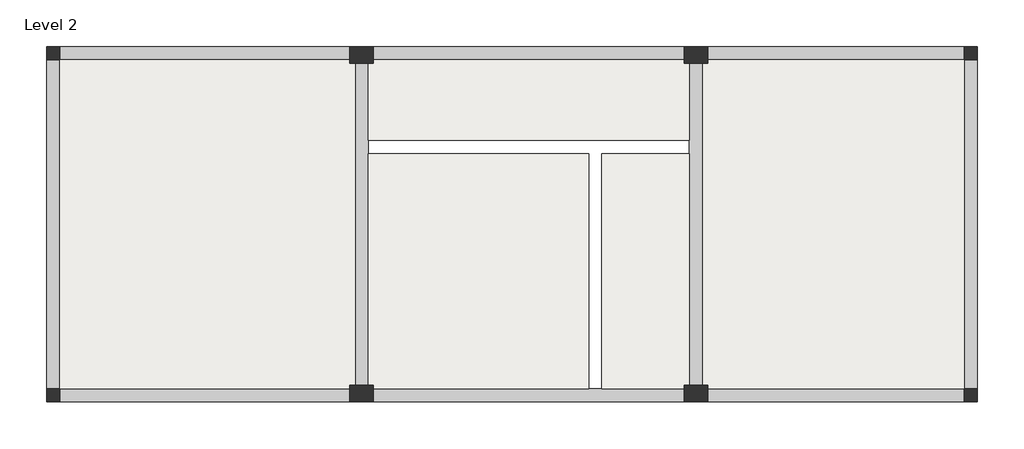
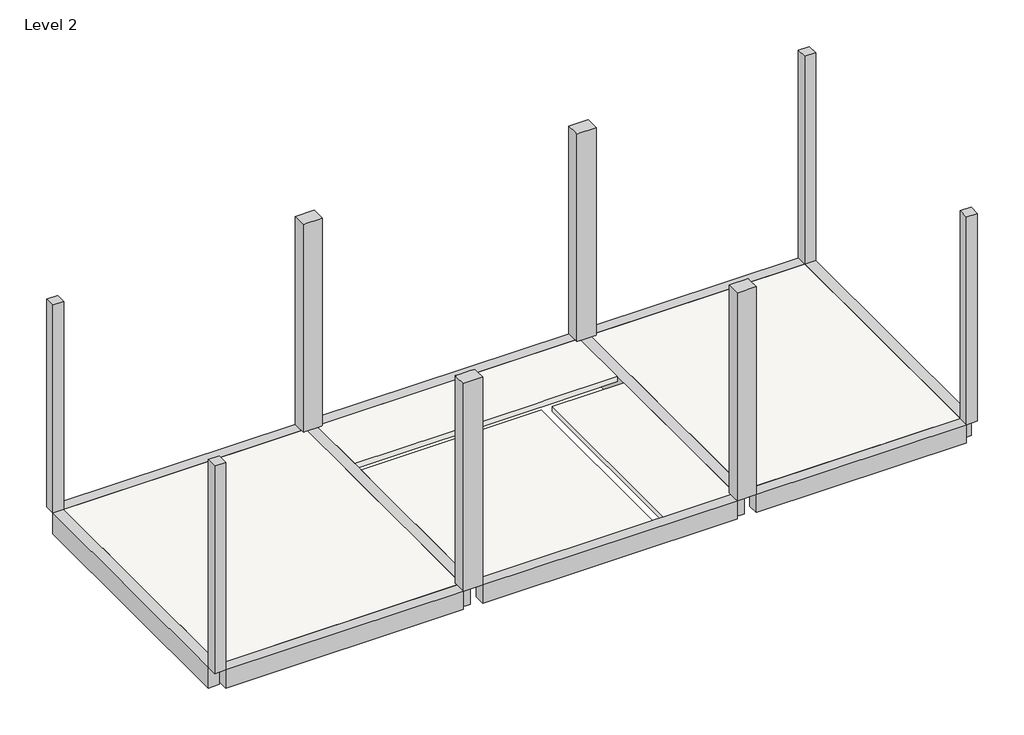
# One storey: 8 columns, 6 beams, 1 slab.
"""IFC4 building model written with IfcOpenShell, lengths in millimetres."""

import ifcopenshell
import ifcopenshell.guid

model = None  # the IFC model being written
_history = None  # IfcOwnerHistory: only IFC2X3 demands one
_inside = {}  # id of a spatial element -> (the spatial element, [elements in it])
_under = {}  # id of a project, library or spatial element -> (it, [spatial elements below it])
_declared = {}  # id of a project -> (the project, [libraries it declares])
_typed = {}  # id of a type object -> (the type object, [elements of that type])
_made_of = {}  # id of a material, layer set ... -> (it, [elements and type objects made of it])


def new_model(schema):
    """Start an empty IFC model of exactly this schema.

    Asked for "IFC4X3", IfcOpenShell would pick the latest addendum, in which some entities
    have other attributes; the version numbers below select the first issue.
    IFC2X3 requires an IfcOwnerHistory on every rooted entity: one is made here for all.
    """
    global model, _history
    if schema == "IFC4X3":
        model = ifcopenshell.file(schema_version=(4, 3, 0, 0))
    else:
        model = ifcopenshell.file(schema=schema)
    _inside.clear()
    _under.clear()
    _declared.clear()
    _typed.clear()
    _made_of.clear()
    _history = None
    if model.schema == "IFC2X3":
        org = make("IfcOrganization", Name="unknown")
        user = make(
            "IfcPersonAndOrganization",
            ThePerson=make("IfcPerson", FamilyName="unknown"),
            TheOrganization=org,
        )
        app = make(
            "IfcApplication",
            ApplicationDeveloper=org,
            Version="unknown",
            ApplicationFullName="unknown",
            ApplicationIdentifier="unknown",
        )
        _history = make(
            "IfcOwnerHistory",
            OwningUser=user,
            OwningApplication=app,
            ChangeAction="ADDED",
            CreationDate=0,
        )
    return model


def make(cls, **values):
    """One entity of the class cls with the attributes given. An attribute that is None is left unset."""
    return model.create_entity(
        cls, **{name: value for name, value in values.items() if value is not None}
    )


def rooted(cls, **values):
    """An entity with a GlobalId (a new one), such as an element, a storey or a relation."""
    return make(cls, GlobalId=ifcopenshell.guid.new(), OwnerHistory=_history, **values)


def si_unit(unit_type, name, prefix=None):
    """IfcSIUnit, for example si_unit("LENGTHUNIT", "METRE", prefix="MILLI")."""
    return make("IfcSIUnit", UnitType=unit_type, Prefix=prefix, Name=name)


def assignment(units):
    """IfcUnitAssignment: the units of a project."""
    return None if units is None else make("IfcUnitAssignment", Units=units)


def point(xyz):
    """IfcCartesianPoint."""
    return None if xyz is None else make("IfcCartesianPoint", Coordinates=xyz)


def direction(xyz):
    """IfcDirection."""
    return None if xyz is None else make("IfcDirection", DirectionRatios=xyz)


def frame(location, z_axis=None, x_axis=None):
    """IfcAxis2Placement3D, a coordinate frame: its origin and axes. An axis left out is left unset."""
    return make(
        "IfcAxis2Placement3D",
        Location=point(location),
        Axis=direction(z_axis),
        RefDirection=direction(x_axis),
    )


def origin():
    """The frame at (0, 0, 0) with its axes left unset."""
    return frame((0.0, 0.0, 0.0))


def place(relative_to, where):
    """IfcLocalPlacement: puts the frame where relative to a parent placement (None: the world)."""
    return make(
        "IfcLocalPlacement", PlacementRelTo=relative_to, RelativePlacement=where
    )


def context(
    kind, dimensions, precision=None, world=None, true_north=None, identifier=None
):
    """IfcGeometricRepresentationContext, for example the 3D "Model" context."""
    return make(
        "IfcGeometricRepresentationContext",
        ContextIdentifier=identifier,
        ContextType=kind,
        CoordinateSpaceDimension=dimensions,
        Precision=precision,
        WorldCoordinateSystem=world,
        TrueNorth=true_north,
    )


def project(units=None, contexts=None):
    """IfcProject with its units and contexts."""
    return rooted(
        "IfcProject",
        Name="project",
        RepresentationContexts=contexts,
        UnitsInContext=assignment(units),
    )


def spatial(cls, under=None, at=None, **own):
    """A site, building, storey or space (cls), placed at a placement, below another one or the project."""
    s = rooted(cls, ObjectPlacement=at, **own)
    if under is not None:
        _under.setdefault(under.id(), (under, []))[1].append(s)
    return s


def polyline(points):
    """IfcPolyline through the points."""
    return make("IfcPolyline", Points=[point(p) for p in points])


def outline(outer, holes=None, kind="AREA"):
    """IfcArbitraryClosedProfileDef: a profile drawn as a closed curve; with holes, ...WithVoids."""
    if holes is None:
        return make("IfcArbitraryClosedProfileDef", ProfileType=kind, OuterCurve=outer)
    return make(
        "IfcArbitraryProfileDefWithVoids",
        ProfileType=kind,
        OuterCurve=outer,
        InnerCurves=holes,
    )


def extrude(swept, where, along, depth):
    """IfcExtrudedAreaSolid: the profile swept, set in the frame where, extruded along a direction by depth."""
    return make(
        "IfcExtrudedAreaSolid",
        SweptArea=swept,
        Position=where,
        ExtrudedDirection=direction(along),
        Depth=depth,
    )


def faces_of(points, faces, orient=None, outer=None):
    """IfcFace entities. A face is a list of loops; a loop is a list of indices into points, from 0.

    orient and outer hold one flag for each loop. By default every Orientation is true, the
    first loop of a face is its IfcFaceOuterBound and the others are IfcFaceBound.
    """
    made = []
    for i, loops in enumerate(faces):
        bounds = []
        for j, loop in enumerate(loops):
            is_outer = j == 0 if outer is None else outer[i][j]
            bounds.append(
                make(
                    "IfcFaceOuterBound" if is_outer else "IfcFaceBound",
                    Bound=make("IfcPolyLoop", Polygon=[points[k] for k in loop]),
                    Orientation=True if orient is None else orient[i][j],
                )
            )
        made.append(make("IfcFace", Bounds=bounds))
    return made


def faceted_brep(points, faces, orient=None, outer=None, voids=None):
    """IfcFacetedBrep: a solid bounded by flat faces; with voids (closed shells), ...WithVoids."""
    shared = [point(p) for p in points]
    hull = make("IfcClosedShell", CfsFaces=faces_of(shared, faces, orient, outer))
    if voids is None:
        return make("IfcFacetedBrep", Outer=hull)
    return make(
        "IfcFacetedBrepWithVoids",
        Outer=hull,
        Voids=[
            make(cls, CfsFaces=faces_of(shared, fs, o, b)) for cls, fs, o, b in voids
        ],
    )


def shape(context_of_items, identifier, shape_type, items):
    """IfcShapeRepresentation: the items that make up one representation, for example the "Body"."""
    return make(
        "IfcShapeRepresentation",
        ContextOfItems=context_of_items,
        RepresentationIdentifier=identifier,
        RepresentationType=shape_type,
        Items=items,
    )


def made_of(thing, what):
    """Note that an element or type object is made of a material, layer set ...; save() writes the relation."""
    if what is not None:
        _made_of.setdefault(what.id(), (what, []))[1].append(thing)
    return thing


def element(
    cls,
    number,
    at=None,
    inside=None,
    cuts=None,
    type_object=None,
    material=None,
    context=None,
    identifier="Body",
    shape_type=None,
    held_by="IfcProductDefinitionShape",
    body=None,
    shapes=None,
    **own,
):
    """One element of the class cls, such as IfcWall. Its Tag is "e" and its number.

    at: its placement. inside: the storey or other place that contains it. cuts: it is an
    opening in that element (IfcRelVoidsElement). A single representation is given by context,
    identifier, shape_type and body (its items); several are given by shapes. held_by: the class
    of the entity that holds the representations. save() writes the other relations.
    """
    e = rooted(cls, Tag="e%d" % number, ObjectPlacement=at, **own)
    if body is not None:
        shapes = [shape(context, identifier, shape_type, body)]
    if shapes is not None:
        e.Representation = make(held_by, Representations=shapes)
    if inside is not None:
        _inside.setdefault(inside.id(), (inside, []))[1].append(e)
    if cuts is not None:
        rooted(
            "IfcRelVoidsElement", RelatingBuildingElement=cuts, RelatedOpeningElement=e
        )
    if type_object is not None:
        _typed.setdefault(type_object.id(), (type_object, []))[1].append(e)
    return made_of(e, material)


def aggregate(whole, parts):
    """IfcRelAggregates: a whole, such as a stair, and the parts it consists of."""
    return rooted("IfcRelAggregates", RelatingObject=whole, RelatedObjects=parts)


def save(model, path):
    """Write the relations noted so far, then the file.

    IfcRelAggregates (storeys below a building ...), IfcRelContainedInSpatialStructure (elements
    in a storey), IfcRelDefinesByType, IfcRelAssociatesMaterial and IfcRelDeclares: one each for
    every whole, place, type object, material and project.
    """
    for whole, parts in _under.values():
        aggregate(whole, parts)
    for where, things in _inside.values():
        rooted(
            "IfcRelContainedInSpatialStructure",
            RelatedElements=things,
            RelatingStructure=where,
        )
    for kind, things in _typed.values():
        rooted("IfcRelDefinesByType", RelatedObjects=things, RelatingType=kind)
    for what, things in _made_of.values():
        rooted("IfcRelAssociatesMaterial", RelatedObjects=things, RelatingMaterial=what)
    for by, libraries in _declared.values():
        rooted("IfcRelDeclares", RelatingContext=by, RelatedDefinitions=libraries)
    model.write(path)


model = new_model("IFC4")

# Units and contexts
model_context = context("Model", 3, world=origin())
ifc_project = project(units=[si_unit("LENGTHUNIT", "METRE", prefix="MILLI")], contexts=[model_context])

# Site, building, storey
site = spatial("IfcSite", under=ifc_project)
building = spatial("IfcBuilding", under=site)
storey = spatial("IfcBuildingStorey", under=building, Name="Level 2", Elevation=3800.0)

# Beams
placement = place(None, origin())
element("IfcBeam", 1, ObjectType="200x350", at=placement, inside=storey, context=model_context, shape_type="Brep", body=[
    faceted_brep([(2730.4101168, 3322.2386726, 3450.0), (2730.4101168, 3122.2386726, 3450.0), (-1094.5898832, 3122.2386726, 3450.0), (-1094.5898832, 3322.2386726, 3450.0), (2730.4101168, 3322.2386726, 3800.0), (2730.4101168, 3122.2386726, 3800.0), (2730.4101168, 3122.2386726, 3700.0), (-1094.5898832, 3122.2386726, 3700.0), (-1094.5898832, 3122.2386726, 3800.0), (-1094.5898832, 3322.2386726, 3800.0)], [[[0, 1, 2, 3]], [[1, 0, 4, 5, 6]], [[3, 2, 7, 8, 9]], [[1, 6, 5, 8, 7, 2]], [[4, 0, 3, 9]], [[5, 4, 9, 8]]]),
    faceted_brep([(-10751.8328064, 3322.2386726, 3450.0), (-10751.8328064, 3122.2386726, 3450.0), (-10751.8328064, 3122.2386726, 3700.0), (-10751.8328064, 3122.2386726, 3800.0), (-10751.8328064, 3322.2386726, 3800.0), (-6426.8328064, 3122.2386726, 3450.0), (-6426.8328064, 3322.2386726, 3450.0), (-6426.8328064, 3322.2386726, 3800.0), (-6426.8328064, 3122.2386726, 3800.0), (-6426.8328064, 3122.2386726, 3700.0)], [[[0, 1, 2, 3, 4]], [[5, 6, 7, 8, 9]], [[1, 0, 6, 5]], [[3, 2, 1, 5, 9, 8]], [[0, 4, 7, 6]], [[4, 3, 8, 7]]]),
    faceted_brep([(-6076.8328064, 3322.2386726, 3450.0), (-6076.8328064, 3122.2386726, 3450.0), (-6076.8328064, 3122.2386726, 3700.0), (-6076.8328064, 3122.2386726, 3800.0), (-6076.8328064, 3322.2386726, 3800.0), (-1444.5898832, 3122.2386726, 3450.0), (-1444.5898832, 3322.2386726, 3450.0), (-1444.5898832, 3322.2386726, 3800.0), (-1444.5898832, 3122.2386726, 3800.0), (-1444.5898832, 3122.2386726, 3700.0)], [[[0, 1, 2, 3, 4]], [[5, 6, 7, 8, 9]], [[1, 0, 6, 5]], [[3, 2, 1, 5, 9, 8]], [[0, 4, 7, 6]], [[4, 3, 8, 7]]]),
])
element("IfcBeam", 2, ObjectType="200x350", at=placement, inside=storey, context=model_context, shape_type="Brep", body=[
    faceted_brep([(-10751.8328064, -1977.7613274, 3450.0), (-10751.8328064, -1777.7613274, 3450.0), (-6426.8328064, -1777.7613274, 3450.0), (-6426.8328064, -1977.7613274, 3450.0), (-10751.8328064, -1977.7613274, 3800.0), (-10751.8328064, -1777.7613274, 3800.0), (-10751.8328064, -1777.7613274, 3700.0), (-6426.8328064, -1777.7613274, 3700.0), (-6426.8328064, -1777.7613274, 3800.0), (-6426.8328064, -1977.7613274, 3800.0)], [[[0, 1, 2, 3]], [[1, 0, 4, 5, 6]], [[3, 2, 7, 8, 9]], [[1, 6, 5, 8, 7, 2]], [[4, 0, 3, 9]], [[5, 4, 9, 8]]]),
    faceted_brep([(2730.4101168, -1977.7613274, 3450.0), (2730.4101168, -1777.7613274, 3450.0), (2730.4101168, -1777.7613274, 3700.0), (2730.4101168, -1777.7613274, 3800.0), (2730.4101168, -1977.7613274, 3800.0), (-1094.5898832, -1777.7613274, 3450.0), (-1094.5898832, -1977.7613274, 3450.0), (-1094.5898832, -1977.7613274, 3800.0), (-1094.5898832, -1777.7613274, 3800.0), (-1094.5898832, -1777.7613274, 3700.0)], [[[0, 1, 2, 3, 4]], [[5, 6, 7, 8, 9]], [[6, 5, 1, 0]], [[3, 2, 1, 5, 9, 8]], [[0, 4, 7, 6]], [[4, 3, 8, 7]]]),
    faceted_brep([(-1444.5898832, -1977.7613274, 3450.0), (-1444.5898832, -1777.7613274, 3450.0), (-1444.5898832, -1777.7613274, 3700.0), (-1444.5898832, -1777.7613274, 3800.0), (-1444.5898832, -1977.7613274, 3800.0), (-6076.8328064, -1777.7613274, 3450.0), (-6076.8328064, -1977.7613274, 3450.0), (-6076.8328064, -1977.7613274, 3800.0), (-6076.8328064, -1777.7613274, 3800.0), (-6076.8328064, -1777.7613274, 3700.0), (-2869.5898832, -1777.7613274, 3800.0), (-2669.5898832, -1777.7613274, 3800.0)], [[[0, 1, 2, 3, 4]], [[5, 6, 7, 8, 9]], [[1, 0, 6, 5]], [[3, 2, 1, 5, 9, 8, 10, 11]], [[0, 4, 7, 6]], [[4, 3, 11, 10, 8, 7]]]),
])
element("IfcBeam", 3, ObjectType="200x400", at=placement, inside=storey, context=model_context, shape_type="Brep", body=[
    faceted_brep([(2730.4101168, -1777.7613274, 3400.0), (2730.4101168, -1777.7613274, 3700.0), (2730.4101168, -1777.7613274, 3800.0), (2730.4101168, 3122.2386726, 3800.0), (2730.4101168, 3122.2386726, 3700.0), (2730.4101168, 3122.2386726, 3400.0), (2930.4101168, -1777.7613274, 3400.0), (2930.4101168, 3122.2386726, 3400.0), (2930.4101168, -1777.7613274, 3800.0), (2930.4101168, 3122.2386726, 3800.0)], [[[0, 1, 2, 3, 4, 5]], [[6, 0, 5, 7]], [[8, 6, 7, 9]], [[2, 8, 9, 3]], [[2, 1, 0, 6, 8]], [[5, 4, 3, 9, 7]]]),
])
element("IfcBeam", 4, ObjectType="200x400", at=placement, inside=storey, context=model_context, shape_type="Brep", body=[
    faceted_brep([(-10751.8328064, 3122.2386726, 3400.0), (-10751.8328064, 3122.2386726, 3700.0), (-10751.8328064, 3122.2386726, 3800.0), (-10751.8328064, -1777.7613274, 3800.0), (-10751.8328064, -1777.7613274, 3700.0), (-10751.8328064, -1777.7613274, 3400.0), (-10951.8328064, 3122.2386726, 3400.0), (-10951.8328064, -1777.7613274, 3400.0), (-10951.8328064, 3122.2386726, 3800.0), (-10951.8328064, -1777.7613274, 3800.0)], [[[0, 1, 2, 3, 4, 5]], [[6, 0, 5, 7]], [[8, 6, 7, 9]], [[2, 8, 9, 3]], [[2, 1, 0, 6, 8]], [[5, 4, 3, 9, 7]]]),
])
element("IfcBeam", 5, ObjectType="200x500", at=placement, inside=storey, context=model_context, shape_type="Brep", body=[
    faceted_brep([(-6151.8328064, -1727.7613274, 3800.0), (-6151.8328064, -1727.7613274, 3700.0), (-6151.8328064, -1727.7613274, 3300.0), (-6151.8328064, 3072.2386726, 3300.0), (-6151.8328064, 3072.2386726, 3700.0), (-6151.8328064, 3072.2386726, 3800.0), (-6151.8328064, 1922.2386726, 3800.0), (-6151.8328064, 1722.2386726, 3800.0), (-6351.8328064, -1727.7613274, 3800.0), (-6351.8328064, 3072.2386726, 3800.0), (-6351.8328064, -1727.7613274, 3300.0), (-6351.8328064, 3072.2386726, 3300.0), (-6351.8328064, -1727.7613274, 3700.0), (-6351.8328064, 3072.2386726, 3700.0)], [[[0, 1, 2, 3, 4, 5, 6, 7]], [[8, 0, 7, 6, 5, 9]], [[2, 10, 11, 3]], [[10, 12, 8, 9, 13, 11]], [[2, 1, 0, 8, 12, 10]], [[5, 4, 3, 11, 13, 9]]]),
])
element("IfcBeam", 6, ObjectType="200x500", at=placement, inside=storey, context=model_context, shape_type="Brep", body=[
    faceted_brep([(-1169.5898832, -1727.7613274, 3800.0), (-1169.5898832, -1727.7613274, 3700.0), (-1169.5898832, -1727.7613274, 3300.0), (-1169.5898832, 3072.2386726, 3300.0), (-1169.5898832, 3072.2386726, 3700.0), (-1169.5898832, 3072.2386726, 3800.0), (-1369.5898832, -1727.7613274, 3800.0), (-1369.5898832, 3072.2386726, 3800.0), (-1369.5898832, 1922.2386726, 3800.0), (-1369.5898832, 1722.2386726, 3800.0), (-1369.5898832, -1727.7613274, 3300.0), (-1369.5898832, 3072.2386726, 3300.0), (-1369.5898832, -1727.7613274, 3700.0), (-1369.5898832, 3072.2386726, 3700.0)], [[[0, 1, 2, 3, 4, 5]], [[6, 0, 5, 7, 8, 9]], [[2, 10, 11, 3]], [[10, 12, 6, 9, 8, 7, 13, 11]], [[2, 1, 0, 6, 12, 10]], [[5, 4, 3, 11, 13, 7]]]),
])

# Columns
element("IfcColumn", 7, ObjectType="C", at=placement, inside=storey, context=model_context, shape_type="SweptSolid", body=[
    extrude(outline(polyline([(-10751.8328064, 3322.2386726), (-10751.8328064, 3122.2386726), (-10951.8328064, 3122.2386726), (-10951.8328064, 3322.2386726), (-10751.8328064, 3322.2386726)])), frame((0.0, 0.0, 3800.0), z_axis=(0.0, 0.0, 1.0), x_axis=(1.0, 0.0, 0.0)), (0.0, 0.0, 1.0), 4000.0),
])
element("IfcColumn", 8, ObjectType="C", at=placement, inside=storey, context=model_context, shape_type="SweptSolid", body=[
    extrude(outline(polyline([(-10951.8328064, -1777.7613274), (-10751.8328064, -1777.7613274), (-10751.8328064, -1977.7613274), (-10951.8328064, -1977.7613274), (-10951.8328064, -1777.7613274)])), frame((0.0, 0.0, 3800.0), z_axis=(0.0, 0.0, 1.0), x_axis=(1.0, 0.0, 0.0)), (0.0, 0.0, 1.0), 4000.0),
])
element("IfcColumn", 9, ObjectType="C", at=placement, inside=storey, context=model_context, shape_type="SweptSolid", body=[
    extrude(outline(polyline([(2730.4101168, -1977.7613274), (2730.4101168, -1777.7613274), (2930.4101168, -1777.7613274), (2930.4101168, -1977.7613274), (2730.4101168, -1977.7613274)])), frame((0.0, 0.0, 3800.0), z_axis=(0.0, 0.0, 1.0), x_axis=(1.0, 0.0, 0.0)), (0.0, 0.0, 1.0), 4000.0),
])
element("IfcColumn", 10, ObjectType="C", at=placement, inside=storey, context=model_context, shape_type="SweptSolid", body=[
    extrude(outline(polyline([(2930.4101168, 3122.2386726), (2730.4101168, 3122.2386726), (2730.4101168, 3322.2386726), (2930.4101168, 3322.2386726), (2930.4101168, 3122.2386726)])), frame((0.0, 0.0, 3800.0), z_axis=(0.0, 0.0, 1.0), x_axis=(1.0, 0.0, 0.0)), (0.0, 0.0, 1.0), 4000.0),
])
element("IfcColumn", 11, ObjectType="C", at=placement, inside=storey, context=model_context, shape_type="Brep", body=[
    faceted_brep([(-1444.5898832, -1727.7613274, 3800.0), (-1094.5898832, -1727.7613274, 3800.0), (-1094.5898832, -1977.7613274, 3800.0), (-1444.5898832, -1977.7613274, 3800.0), (-1444.5898832, -1727.7613274, 7800.0), (-1369.5898832, -1727.7613274, 7800.0), (-1169.5898832, -1727.7613274, 7800.0), (-1094.5898832, -1727.7613274, 7800.0), (-1094.5898832, -1727.7613274, 7700.0), (-1444.5898832, -1727.7613274, 7700.0), (-1094.5898832, -1777.7613274, 7800.0), (-1094.5898832, -1977.7613274, 7800.0), (-1094.5898832, -1977.7613274, 7450.0), (-1444.5898832, -1977.7613274, 7800.0), (-1444.5898832, -1977.7613274, 7450.0), (-1444.5898832, -1777.7613274, 7800.0)], [[[0, 1, 2, 3]], [[4, 5, 6, 7, 8, 1, 0, 9]], [[7, 10, 11, 12, 2, 1, 8]], [[11, 13, 14, 3, 2, 12]], [[13, 15, 4, 9, 0, 3, 14]], [[4, 15, 13, 11, 10, 7, 6, 5]]]),
])
element("IfcColumn", 12, ObjectType="C", at=placement, inside=storey, context=model_context, shape_type="Brep", body=[
    faceted_brep([(-6426.8328064, -1727.7613274, 3800.0), (-6076.8328064, -1727.7613274, 3800.0), (-6076.8328064, -1977.7613274, 3800.0), (-6426.8328064, -1977.7613274, 3800.0), (-6426.8328064, -1727.7613274, 7800.0), (-6351.8328064, -1727.7613274, 7800.0), (-6151.8328064, -1727.7613274, 7800.0), (-6076.8328064, -1727.7613274, 7800.0), (-6076.8328064, -1727.7613274, 7700.0), (-6426.8328064, -1727.7613274, 7700.0), (-6076.8328064, -1777.7613274, 7800.0), (-6076.8328064, -1977.7613274, 7800.0), (-6076.8328064, -1977.7613274, 7450.0), (-6426.8328064, -1977.7613274, 7800.0), (-6426.8328064, -1977.7613274, 7450.0), (-6426.8328064, -1777.7613274, 7800.0)], [[[0, 1, 2, 3]], [[4, 5, 6, 7, 8, 1, 0, 9]], [[7, 10, 11, 12, 2, 1, 8]], [[11, 13, 14, 3, 2, 12]], [[13, 15, 4, 9, 0, 3, 14]], [[4, 15, 13, 11, 10, 7, 6, 5]]]),
])
element("IfcColumn", 13, ObjectType="C", at=placement, inside=storey, context=model_context, shape_type="Brep", body=[
    faceted_brep([(-6076.8328064, 3072.2386726, 3800.0), (-6426.8328064, 3072.2386726, 3800.0), (-6426.8328064, 3322.2386726, 3800.0), (-6076.8328064, 3322.2386726, 3800.0), (-6076.8328064, 3072.2386726, 7800.0), (-6151.8328064, 3072.2386726, 7800.0), (-6351.8328064, 3072.2386726, 7800.0), (-6426.8328064, 3072.2386726, 7800.0), (-6426.8328064, 3072.2386726, 7700.0), (-6076.8328064, 3072.2386726, 7700.0), (-6426.8328064, 3122.2386726, 7800.0), (-6426.8328064, 3322.2386726, 7800.0), (-6426.8328064, 3322.2386726, 7450.0), (-6076.8328064, 3322.2386726, 7800.0), (-6076.8328064, 3322.2386726, 7450.0), (-6076.8328064, 3122.2386726, 7800.0)], [[[0, 1, 2, 3]], [[4, 5, 6, 7, 8, 1, 0, 9]], [[7, 10, 11, 12, 2, 1, 8]], [[11, 13, 14, 3, 2, 12]], [[13, 15, 4, 9, 0, 3, 14]], [[4, 15, 13, 11, 10, 7, 6, 5]]]),
])
element("IfcColumn", 14, ObjectType="C", at=placement, inside=storey, context=model_context, shape_type="Brep", body=[
    faceted_brep([(-1094.5898832, 3072.2386726, 3800.0), (-1444.5898832, 3072.2386726, 3800.0), (-1444.5898832, 3322.2386726, 3800.0), (-1094.5898832, 3322.2386726, 3800.0), (-1094.5898832, 3072.2386726, 7800.0), (-1169.5898832, 3072.2386726, 7800.0), (-1369.5898832, 3072.2386726, 7800.0), (-1444.5898832, 3072.2386726, 7800.0), (-1444.5898832, 3072.2386726, 7700.0), (-1094.5898832, 3072.2386726, 7700.0), (-1444.5898832, 3122.2386726, 7800.0), (-1444.5898832, 3322.2386726, 7800.0), (-1444.5898832, 3322.2386726, 7450.0), (-1094.5898832, 3322.2386726, 7800.0), (-1094.5898832, 3322.2386726, 7450.0), (-1094.5898832, 3122.2386726, 7800.0)], [[[0, 1, 2, 3]], [[4, 5, 6, 7, 8, 1, 0, 9]], [[7, 10, 11, 12, 2, 1, 8]], [[11, 13, 14, 3, 2, 12]], [[13, 15, 4, 9, 0, 3, 14]], [[4, 15, 13, 11, 10, 7, 6, 5]]]),
])

# Slab
element("IfcSlab", 15, ObjectType="Hs (100)", at=placement, inside=storey, context=model_context, shape_type="Brep", body=[
    faceted_brep([(-6426.8328064, 3122.2386726, 3700.0), (-6426.8328064, 3072.2386726, 3700.0), (-6351.8328064, 3072.2386726, 3700.0), (-6351.8328064, 1922.2386726, 3700.0), (-6351.8328064, 1722.2386726, 3700.0), (-6351.8328064, -1727.7613274, 3700.0), (-6426.8328064, -1727.7613274, 3700.0), (-6426.8328064, -1777.7613274, 3700.0), (-10751.8328064, -1777.7613274, 3700.0), (-10751.8328064, 3122.2386726, 3700.0), (-6426.8328064, 3072.2386726, 3800.0), (-6426.8328064, 3122.2386726, 3800.0), (-10751.8328064, 3122.2386726, 3800.0), (-10751.8328064, -1777.7613274, 3800.0), (-6426.8328064, -1777.7613274, 3800.0), (-6426.8328064, -1727.7613274, 3800.0), (-6351.8328064, -1727.7613274, 3800.0), (-6351.8328064, 1722.2386726, 3800.0), (-6351.8328064, 1922.2386726, 3800.0), (-6351.8328064, 3072.2386726, 3800.0)], [[[0, 1, 2, 3, 4, 5, 6, 7, 8, 9]], [[10, 11, 12, 13, 14, 15, 16, 17, 18, 19]], [[11, 0, 9, 12]], [[7, 14, 13, 8]], [[15, 6, 5, 16]], [[6, 15, 14, 7]], [[1, 10, 19, 2]], [[10, 1, 0, 11]], [[9, 8, 13, 12]], [[16, 5, 4, 3, 2, 19, 18, 17]]]),
    faceted_brep([(-6076.8328064, 3072.2386726, 3700.0), (-6076.8328064, 3122.2386726, 3700.0), (-1444.5898832, 3122.2386726, 3700.0), (-1444.5898832, 3072.2386726, 3700.0), (-1369.5898832, 3072.2386726, 3700.0), (-1369.5898832, 1922.2386726, 3700.0), (-2669.5898832, 1922.2386726, 3700.0), (-2869.5898832, 1922.2386726, 3700.0), (-6151.8328064, 1922.2386726, 3700.0), (-6151.8328064, 3072.2386726, 3700.0), (-1444.5898832, 3072.2386726, 3800.0), (-1444.5898832, 3122.2386726, 3800.0), (-6076.8328064, 3122.2386726, 3800.0), (-6076.8328064, 3072.2386726, 3800.0), (-6151.8328064, 3072.2386726, 3800.0), (-6151.8328064, 1922.2386726, 3800.0), (-2869.5898832, 1922.2386726, 3800.0), (-2669.5898832, 1922.2386726, 3800.0), (-1369.5898832, 1922.2386726, 3800.0), (-1369.5898832, 3072.2386726, 3800.0)], [[[0, 1, 2, 3, 4, 5, 6, 7, 8, 9]], [[10, 11, 12, 13, 14, 15, 16, 17, 18, 19]], [[2, 1, 12, 11]], [[13, 0, 9, 14]], [[0, 13, 12, 1]], [[3, 10, 19, 4]], [[10, 3, 2, 11]], [[14, 9, 8, 15]], [[4, 19, 18, 5]], [[15, 8, 7, 6, 5, 18, 17, 16]]]),
    faceted_brep([(-1094.5898832, 3072.2386726, 3700.0), (-1094.5898832, 3122.2386726, 3700.0), (2730.4101168, 3122.2386726, 3700.0), (2730.4101168, -1777.7613274, 3700.0), (-1094.5898832, -1777.7613274, 3700.0), (-1094.5898832, -1727.7613274, 3700.0), (-1169.5898832, -1727.7613274, 3700.0), (-1169.5898832, 1722.2386726, 3700.0), (-1169.5898832, 1922.2386726, 3700.0), (-1169.5898832, 3072.2386726, 3700.0), (-1094.5898832, 3122.2386726, 3800.0), (-1094.5898832, 3072.2386726, 3800.0), (-1169.5898832, 3072.2386726, 3800.0), (-1169.5898832, 1922.2386726, 3800.0), (-1169.5898832, 1722.2386726, 3800.0), (-1169.5898832, -1727.7613274, 3800.0), (-1094.5898832, -1727.7613274, 3800.0), (-1094.5898832, -1777.7613274, 3800.0), (2730.4101168, -1777.7613274, 3800.0), (2730.4101168, 3122.2386726, 3800.0)], [[[0, 1, 2, 3, 4, 5, 6, 7, 8, 9]], [[10, 11, 12, 13, 14, 15, 16, 17, 18, 19]], [[1, 10, 19, 2]], [[4, 3, 18, 17]], [[2, 19, 18, 3]], [[5, 16, 15, 6]], [[16, 5, 4, 17]], [[11, 0, 9, 12]], [[0, 11, 10, 1]], [[6, 15, 14, 13, 12, 9, 8, 7]]]),
    faceted_brep([(-1444.5898832, -1727.7613274, 3700.0), (-1444.5898832, -1777.7613274, 3700.0), (-2669.5898832, -1777.7613274, 3700.0), (-2669.5898832, 1722.2386726, 3700.0), (-1369.5898832, 1722.2386726, 3700.0), (-1369.5898832, -1727.7613274, 3700.0), (-1444.5898832, -1777.7613274, 3800.0), (-1444.5898832, -1727.7613274, 3800.0), (-1369.5898832, -1727.7613274, 3800.0), (-1369.5898832, 1722.2386726, 3800.0), (-2669.5898832, 1722.2386726, 3800.0), (-2669.5898832, -1777.7613274, 3800.0)], [[[0, 1, 2, 3, 4, 5]], [[6, 7, 8, 9, 10, 11]], [[1, 6, 11, 2]], [[7, 0, 5, 8]], [[0, 7, 6, 1]], [[8, 5, 4, 9]], [[9, 4, 3, 10]], [[3, 2, 11, 10]]]),
    faceted_brep([(-6076.8328064, -1777.7613274, 3700.0), (-6076.8328064, -1727.7613274, 3700.0), (-6151.8328064, -1727.7613274, 3700.0), (-6151.8328064, 1722.2386726, 3700.0), (-2869.5898832, 1722.2386726, 3700.0), (-2869.5898832, -1777.7613274, 3700.0), (-6076.8328064, -1727.7613274, 3800.0), (-6076.8328064, -1777.7613274, 3800.0), (-2869.5898832, -1777.7613274, 3800.0), (-2869.5898832, 1722.2386726, 3800.0), (-6151.8328064, 1722.2386726, 3800.0), (-6151.8328064, -1727.7613274, 3800.0)], [[[0, 1, 2, 3, 4, 5]], [[6, 7, 8, 9, 10, 11]], [[7, 0, 5, 8]], [[1, 6, 11, 2]], [[6, 1, 0, 7]], [[2, 11, 10, 3]], [[3, 10, 9, 4]], [[5, 4, 9, 8]]]),
])

save(model, "model.ifc")
